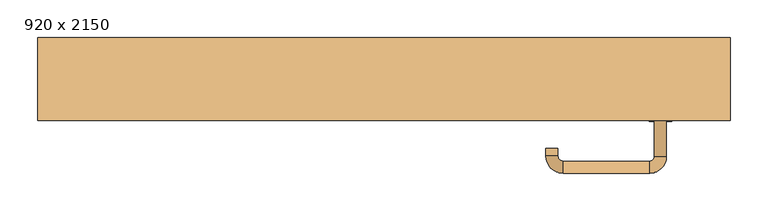
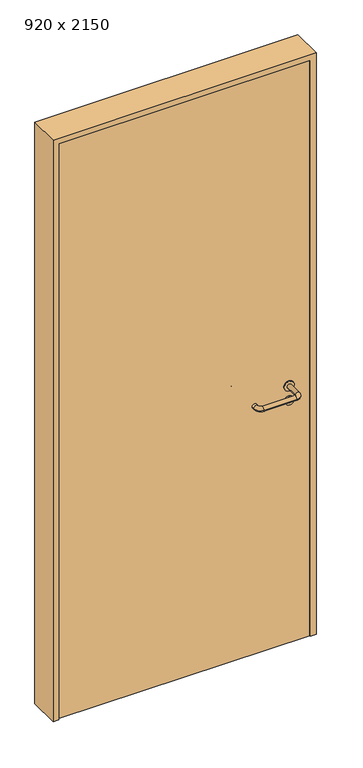
"""IFC4 building model written with IfcOpenShell, lengths in millimetres: door geometry, 920 x 2150."""

from ifc_helpers import new_model, si_unit, point, frame, frame_2d, origin, origin_with_axes, place, context, project, spatial, polyline, circle_curve, ellipse_curve, trimmed, segment, composite_curve, outline, extrude, source, transform, mapped, element, save
from ifc_brep_helpers import plane_surface, cylinder_surface, revolved_surface, advanced_brep


def door_920_x_2150_9bda0c8d(model_context):
    return source(origin(), model_context, "Body", "SolidModel", [
        extrude(outline(composite_curve([segment(trimmed(circle_curve(frame_2d((897.3605726, 367.0)), 15.0), [point((897.3605726, 382.0))], [point((897.3605726, 352.0))], False, "CARTESIAN"), True, "CONTINUOUS"), segment(trimmed(circle_curve(frame_2d((897.3605726, 367.0)), 15.0), [point((897.3605726, 352.0))], [point((897.3605726, 382.0))], False, "CARTESIAN"), True, "CONTINUOUS")], self_intersect=False), holes=[composite_curve([segment(trimmed(circle_curve(frame_2d((892.5833211, 366.9398032)), 2.0), [point((892.5833211, 368.9398032))], [point((892.5833211, 364.9398032))], True, "CARTESIAN"), True, "CONTINUOUS"), segment(polyline([(892.5833211, 364.9398032), (902.5833211, 364.9398032)]), True, "CONTINUOUS"), segment(trimmed(circle_curve(frame_2d((902.5833211, 366.9398032)), 2.0), [point((902.5833211, 364.9398032))], [point((902.5833211, 368.9398032))], True, "CARTESIAN"), True, "CONTINUOUS"), segment(polyline([(902.5833211, 368.9398032), (892.5833211, 368.9398032)]), True, "CONTINUOUS")], self_intersect=False)]), frame((0.0, -130.0, 0.0), z_axis=(0.0, 1.0, 0.0), x_axis=(0.0, 0.0, 1.0)), (0.0, 0.0, 1.0), 6.35),
        extrude(outline(composite_curve([segment(trimmed(circle_curve(frame_2d((950.0, 367.0)), 17.526), [point((950.0, 384.526))], [point((950.0, 349.474))], False, "CARTESIAN"), True, "CONTINUOUS"), segment(trimmed(circle_curve(frame_2d((950.0, 367.0)), 17.526), [point((950.0, 349.474))], [point((950.0, 384.526))], False, "CARTESIAN"), True, "CONTINUOUS")], self_intersect=False)), frame((0.0, -130.0, 0.0), z_axis=(0.0, 1.0, 0.0), x_axis=(0.0, 0.0, 1.0)), (0.0, 0.0, 1.0), 3.175),
        advanced_brep(
        [(375.0, -130.0, 950.0), (359.0, -130.0, 950.0), (375.0, -77.0, 950.0), (359.0, -77.0, 950.0), (352.8578644, -70.8578644, 950.0), (352.8578644, -54.8578644, 950.0), (237.8578644, -54.8578644, 950.0), (237.8578644, -70.8578644, 950.0), (231.008622, -77.7071068, 950.0), (215.008622, -77.7071068, 950.0), (215.008622, -87.7071068, 950.0), (231.008622, -87.7071068, 950.0)],
        [
            (0, 1, circle_curve(frame((367.0, -130.0, 950.0), z_axis=(0.0, -1.0, 0.0), x_axis=(-1.0, 0.0, 0.0)), 8.0)),
            (1, 0, circle_curve(frame((367.0, -130.0, 950.0), z_axis=(0.0, -1.0, 0.0), x_axis=(-1.0, 0.0, 0.0)), 8.0)),
            (0, 2),
            (2, 3, circle_curve(frame((367.0, -77.0, 950.0), z_axis=(0.0, -1.0, 0.0), x_axis=(-1.0, 0.0, 0.0)), 8.0)),
            (3, 1),
            (3, 2, circle_curve(frame((367.0, -77.0, 950.0), z_axis=(0.0, -1.0, 0.0), x_axis=(-1.0, 0.0, 0.0)), 8.0)),
            (4, 3, circle_curve(frame((352.8578644, -77.0, 950.0), z_axis=(0.0, 0.0, -1.0), x_axis=(1.0, 0.0, 0.0)), 6.1421356)),
            (2, 5, circle_curve(frame((352.8578644, -77.0, 950.0), z_axis=(0.0, 0.0, 1.0), x_axis=(1.0, 0.0, 0.0)), 22.1421356)),
            (5, 4, circle_curve(frame((352.8578644, -62.8578644, 950.0), z_axis=(1.0, 0.0, 0.0), x_axis=(0.0, -1.0, 0.0)), 8.0)),
            (4, 5, circle_curve(frame((352.8578644, -62.8578644, 950.0), z_axis=(1.0, 0.0, 0.0), x_axis=(0.0, -1.0, 0.0)), 8.0)),
            (5, 6),
            (6, 7, circle_curve(frame((237.8578644, -62.8578644, 950.0), z_axis=(1.0, 0.0, 0.0), x_axis=(0.0, -1.0, 0.0)), 8.0)),
            (7, 4),
            (7, 6, circle_curve(frame((237.8578644, -62.8578644, 950.0), z_axis=(1.0, 0.0, 0.0), x_axis=(0.0, -1.0, 0.0)), 8.0)),
            (8, 7, circle_curve(frame((237.8578644, -77.7071068, 950.0), z_axis=(0.0, 0.0, -1.0), x_axis=(0.0, 1.0, 0.0)), 6.8492424)),
            (6, 9, circle_curve(frame((237.8578644, -77.7071068, 950.0), z_axis=(0.0, 0.0, 1.0), x_axis=(0.0, 1.0, 0.0)), 22.8492424)),
            (9, 8, circle_curve(frame((223.008622, -77.7071068, 950.0), z_axis=(0.0, 1.0, 0.0), x_axis=(1.0, 0.0, 0.0)), 8.0)),
            (8, 9, circle_curve(frame((223.008622, -77.7071068, 950.0), z_axis=(0.0, 1.0, 0.0), x_axis=(1.0, 0.0, 0.0)), 8.0)),
            (10, 11, circle_curve(frame((223.008622, -87.7071068, 950.0), z_axis=(0.0, -1.0, 0.0), x_axis=(1.0, 0.0, 0.0)), 8.0)),
            (11, 10, circle_curve(frame((223.008622, -87.7071068, 950.0), z_axis=(0.0, -1.0, 0.0), x_axis=(1.0, 0.0, 0.0)), 8.0)),
            (9, 10),
            (11, 8),
        ],
        [
            plane_surface(frame((367.0, -130.0, 0.0), z_axis=(0.0, -1.0, 0.0), x_axis=(0.0, 0.0, 1.0))),
            cylinder_surface(frame((367.0, -130.0, 950.0), z_axis=(0.0, -1.0, 0.0), x_axis=(-1.0, 0.0, 0.0)), 8.0),
            revolved_surface(trimmed(ellipse_curve(frame((367.0, -77.0, 950.0), z_axis=(0.0, -1.0, 0.0), x_axis=(-1.0, 0.0, 0.0)), 8.0, 8.0), [point((375.0, -77.0, 950.0))], [point((359.0, -77.0, 950.0))], True, "CARTESIAN"), (352.8578644, -77.0, 0.0), (0.0, 0.0, 1.0)),
            revolved_surface(trimmed(ellipse_curve(frame((367.0, -77.0, 950.0), z_axis=(0.0, -1.0, 0.0), x_axis=(-1.0, 0.0, 0.0)), 8.0, 8.0), [point((359.0, -77.0, 950.0))], [point((375.0, -77.0, 950.0))], True, "CARTESIAN"), (352.8578644, -77.0, 0.0), (0.0, 0.0, 1.0)),
            cylinder_surface(frame((352.8578644, -62.8578644, 950.0), z_axis=(1.0, 0.0, 0.0), x_axis=(0.0, -1.0, 0.0)), 8.0),
            revolved_surface(trimmed(ellipse_curve(frame((237.8578644, -62.8578644, 950.0), z_axis=(1.0, 0.0, 0.0), x_axis=(0.0, -1.0, 0.0)), 8.0, 8.0), [point((237.8578644, -54.8578644, 950.0))], [point((237.8578644, -70.8578644, 950.0))], True, "CARTESIAN"), (237.8578644, -77.7071068, 0.0), (0.0, 0.0, 1.0)),
            revolved_surface(trimmed(ellipse_curve(frame((237.8578644, -62.8578644, 950.0), z_axis=(1.0, 0.0, 0.0), x_axis=(0.0, -1.0, 0.0)), 8.0, 8.0), [point((237.8578644, -70.8578644, 950.0))], [point((237.8578644, -54.8578644, 950.0))], True, "CARTESIAN"), (237.8578644, -77.7071068, 0.0), (0.0, 0.0, 1.0)),
            plane_surface(frame((223.008622, -87.7071068, 0.0), z_axis=(0.0, -1.0, 0.0), x_axis=(0.0, 0.0, 1.0))),
            cylinder_surface(frame((223.008622, -77.7071068, 950.0), z_axis=(0.0, 1.0, 0.0), x_axis=(1.0, 0.0, 0.0)), 8.0),
        ],
        [
            (0, [[1, 2]]),
            (1, [[-1, 3, 4, 5]]),
            (1, [[-2, -5, 6, -3]]),
            (2, [[7, -4, 8, 9]]),
            (3, [[-8, -6, -7, 10]]),
            (4, [[-9, 11, 12, 13]]),
            (4, [[-10, -13, 14, -11]]),
            (5, [[15, -12, 16, 17]]),
            (6, [[-16, -14, -15, 18]]),
            (7, [[19, 20]]),
            (8, [[-17, 21, -20, 22]]),
            (8, [[-18, -22, -19, -21]]),
        ],
    ),
        extrude(outline(composite_curve([segment(trimmed(circle_curve(frame_2d((0.0, 15.0)), 15.0), [point((0.0, 30.0))], [point((0.0, 0.0))], False, "CARTESIAN"), True, "CONTINUOUS"), segment(trimmed(circle_curve(frame_2d((0.0, 15.0)), 15.0), [point((0.0, 0.0))], [point((0.0, 30.0))], False, "CARTESIAN"), True, "CONTINUOUS")], self_intersect=False), holes=[composite_curve([segment(trimmed(circle_curve(frame_2d((-4.7772515, 14.9398032)), 2.0), [point((-4.7772515, 16.9398032))], [point((-4.7772515, 12.9398032))], True, "CARTESIAN"), True, "CONTINUOUS"), segment(polyline([(-4.7772515, 12.9398032), (5.2227485, 12.9398032)]), True, "CONTINUOUS"), segment(trimmed(circle_curve(frame_2d((5.2227485, 14.9398032)), 2.0), [point((5.2227485, 12.9398032))], [point((5.2227485, 16.9398032))], True, "CARTESIAN"), True, "CONTINUOUS"), segment(polyline([(5.2227485, 16.9398032), (-4.7772515, 16.9398032)]), True, "CONTINUOUS")], self_intersect=False)]), frame((352.0, -166.35, 897.3605726), z_axis=(-1.8870575173328306e-12, 1.0, 0.0), x_axis=(0.0, 0.0, 1.0)), (0.0, 0.0, 1.0), 6.35),
        extrude(outline(composite_curve([segment(trimmed(circle_curve(frame_2d((0.0, 17.526)), 17.526), [point((0.0, 35.052))], [point((0.0, 0.0))], False, "CARTESIAN"), True, "CONTINUOUS"), segment(trimmed(circle_curve(frame_2d((0.0, 17.526)), 17.526), [point((0.0, 0.0))], [point((0.0, 35.052))], False, "CARTESIAN"), True, "CONTINUOUS")], self_intersect=False)), frame((349.474, -163.175, 950.0), z_axis=(-1.8870575173328306e-12, 1.0, 0.0), x_axis=(0.0, 0.0, 1.0)), (0.0, 0.0, 1.0), 3.175),
        advanced_brep(
        [(375.0, -160.0, 950.0), (359.0, -160.0, 950.0), (359.0, -213.0, 950.0), (375.0, -213.0, 950.0), (352.8578644, -219.1421356, 950.0), (352.8578644, -235.1421356, 950.0), (237.8578644, -219.1421356, 950.0), (237.8578644, -235.1421356, 950.0), (231.008622, -212.2928932, 950.0), (215.008622, -212.2928932, 950.0), (215.008622, -202.2928932, 950.0), (231.008622, -202.2928932, 950.0)],
        [
            (0, 1, circle_curve(frame((367.0, -160.0, 950.0), z_axis=(-1.888672253512351e-12, 1.0, 0.0), x_axis=(-1.0, -1.888672253512351e-12, 0.0)), 8.0)),
            (1, 0, circle_curve(frame((367.0, -160.0, 950.0), z_axis=(-1.888672253512351e-12, 1.0, 0.0), x_axis=(-1.0, -1.888672253512351e-12, 0.0)), 8.0)),
            (1, 2),
            (2, 3, circle_curve(frame((367.0, -213.0, 950.0), z_axis=(-1.888672253512351e-12, 1.0, 0.0), x_axis=(-1.0, -1.888672253512351e-12, 0.0)), 8.0)),
            (3, 0),
            (3, 2, circle_curve(frame((367.0, -213.0, 950.0), z_axis=(-1.888672253512351e-12, 1.0, 0.0), x_axis=(-1.0, -1.888672253512351e-12, 0.0)), 8.0)),
            (4, 5, circle_curve(frame((352.8578644, -227.1421356, 950.0), z_axis=(1.0, 1.913702061528922e-12, 0.0), x_axis=(-1.913702061528922e-12, 1.0, 0.0)), 8.0)),
            (5, 3, circle_curve(frame((352.8578644, -213.0, 950.0), z_axis=(0.0, 0.0, 1.0), x_axis=(1.0, 1.880717803715015e-12, 0.0)), 22.1421356)),
            (2, 4, circle_curve(frame((352.8578644, -213.0, 950.0), z_axis=(0.0, 0.0, -1.0), x_axis=(1.0, 1.880717803715015e-12, 0.0)), 6.1421356)),
            (5, 4, circle_curve(frame((352.8578644, -227.1421356, 950.0), z_axis=(1.0, 1.913702061528922e-12, 0.0), x_axis=(-1.913702061528922e-12, 1.0, 0.0)), 8.0)),
            (4, 6),
            (6, 7, circle_curve(frame((237.8578644, -227.1421356, 950.0), z_axis=(1.0, 1.913719828541269e-12, 0.0), x_axis=(-1.913719828541269e-12, 1.0, 0.0)), 8.0)),
            (7, 5),
            (7, 6, circle_curve(frame((237.8578644, -227.1421356, 950.0), z_axis=(1.0, 1.913719828541269e-12, 0.0), x_axis=(-1.913719828541269e-12, 1.0, 0.0)), 8.0)),
            (8, 9, circle_curve(frame((223.008622, -212.2928932, 950.0), z_axis=(1.8888942981172756e-12, -1.0, 0.0), x_axis=(1.0, 1.8888942981172756e-12, 0.0)), 8.0)),
            (9, 7, circle_curve(frame((237.8578644, -212.2928932, 950.0), z_axis=(0.0, 0.0, 1.0), x_axis=(1.9120873253494017e-12, -1.0, 0.0)), 22.8492424)),
            (6, 8, circle_curve(frame((237.8578644, -212.2928932, 950.0), z_axis=(0.0, 0.0, -1.0), x_axis=(1.9120873253494017e-12, -1.0, 0.0)), 6.8492424)),
            (9, 8, circle_curve(frame((223.008622, -212.2928932, 950.0), z_axis=(1.890448610351751e-12, -1.0, 0.0), x_axis=(1.0, 1.890448610351751e-12, 0.0)), 8.0)),
            (10, 11, circle_curve(frame((223.008622, -202.2928932, 950.0), z_axis=(-1.8903642334018795e-12, 1.0, 0.0), x_axis=(1.0, 1.8903642334018795e-12, 0.0)), 8.0)),
            (11, 10, circle_curve(frame((223.008622, -202.2928932, 950.0), z_axis=(-1.8903642334018795e-12, 1.0, 0.0), x_axis=(1.0, 1.8903642334018795e-12, 0.0)), 8.0)),
            (8, 11),
            (10, 9),
        ],
        [
            plane_surface(frame((367.0, -160.0, 0.0), z_axis=(-1.8870575173328306e-12, 1.0, 0.0), x_axis=(0.0, 0.0, 1.0))),
            cylinder_surface(frame((367.0, -160.0, 950.0), z_axis=(-1.888672253512351e-12, 1.0, 0.0), x_axis=(-1.0, -1.888672253512351e-12, 0.0)), 8.0),
            revolved_surface(trimmed(ellipse_curve(frame((367.0, -213.0, 950.0), z_axis=(1.8823325398945356e-12, -1.0, 0.0), x_axis=(-1.0, -1.8823325398945356e-12, 0.0)), 8.0, 8.0), [point((375.0, -213.0, 950.0))], [point((359.0, -213.0, 950.0))], True, "CARTESIAN"), (352.8578644, -213.0, 0.0), (0.0, 0.0, 1.0)),
            revolved_surface(trimmed(ellipse_curve(frame((367.0, -213.0, 950.0), z_axis=(1.8823325398945356e-12, -1.0, 0.0), x_axis=(-1.0, -1.8823325398945356e-12, 0.0)), 8.0, 8.0), [point((359.0, -213.0, 950.0))], [point((375.0, -213.0, 950.0))], True, "CARTESIAN"), (352.8578644, -213.0, 0.0), (0.0, 0.0, 1.0)),
            cylinder_surface(frame((352.8578644, -227.1421356, 950.0), z_axis=(1.0, 1.913719828541269e-12, 0.0), x_axis=(-1.913719828541269e-12, 1.0, 0.0)), 8.0),
            revolved_surface(trimmed(ellipse_curve(frame((237.8578644, -227.1421356, 950.0), z_axis=(-1.0, -1.913702061528922e-12, 0.0), x_axis=(-1.913702061528922e-12, 1.0, 0.0)), 8.0, 8.0), [point((237.8578644, -235.1421356, 950.0))], [point((237.8578644, -219.1421356, 950.0))], True, "CARTESIAN"), (237.8578644, -212.2928932, 0.0), (0.0, 0.0, 1.0)),
            revolved_surface(trimmed(ellipse_curve(frame((237.8578644, -227.1421356, 950.0), z_axis=(-1.0, -1.913702061528922e-12, 0.0), x_axis=(-1.913702061528922e-12, 1.0, 0.0)), 8.0, 8.0), [point((237.8578644, -219.1421356, 950.0))], [point((237.8578644, -235.1421356, 950.0))], True, "CARTESIAN"), (237.8578644, -212.2928932, 0.0), (0.0, 0.0, 1.0)),
            plane_surface(frame((223.008622, -202.2928932, 0.0), z_axis=(-1.8887494972223595e-12, 1.0, 0.0), x_axis=(0.0, 0.0, 1.0))),
            cylinder_surface(frame((223.008622, -212.2928932, 950.0), z_axis=(1.8903642334018795e-12, -1.0, 0.0), x_axis=(1.0, 1.8903642334018795e-12, 0.0)), 8.0),
        ],
        [
            (0, [[1, 2]]),
            (1, [[3, 4, 5, -2]]),
            (1, [[-5, 6, -3, -1]]),
            (2, [[7, 8, -4, 9]]),
            (3, [[10, -9, -6, -8]]),
            (4, [[11, 12, 13, -7]]),
            (4, [[-13, 14, -11, -10]]),
            (5, [[15, 16, -12, 17]]),
            (6, [[18, -17, -14, -16]]),
            (7, [[19, 20]]),
            (8, [[21, -19, 22, -15]]),
            (8, [[-22, -20, -21, -18]]),
        ],
    ),
        extrude(outline(polyline([(2130.0, 440.0), (0.0, 440.0), (0.0, 460.0), (2150.0, 460.0), (2150.0, -460.0), (0.0, -460.0), (0.0, -440.0), (2130.0, -440.0), (2130.0, 440.0)])), frame((0.0, -165.0, 0.0), z_axis=(0.0, 1.0, 0.0), x_axis=(0.0, 0.0, 1.0)), (0.0, 0.0, 1.0), 110.0),
        extrude(outline(polyline([(-440.0, -160.0), (-440.0, -130.0), (440.0, -130.0), (440.0, -160.0), (-440.0, -160.0)])), origin_with_axes(), (0.0, 0.0, 1.0), 2130.0),
    ])


if __name__ == "__main__":
    model = new_model("IFC4")
    model_context = context("Model", 3, world=origin())
    ifc_project = project(units=[si_unit("LENGTHUNIT", "METRE", prefix="MILLI")], contexts=[model_context])
    site = spatial("IfcSite", under=ifc_project)
    building = spatial("IfcBuilding", under=site)
    placement = place(None, origin())
    door_920_x_2150_shape = door_920_x_2150_9bda0c8d(model_context)
    element("IfcDoor", 1, ObjectType="920 x 2150", at=placement, inside=building, context=model_context, shape_type="MappedRepresentation", body=[
        mapped(door_920_x_2150_shape, transform((0.0, 0.0, 0.0), x_axis=(1.0, 0.0, 0.0), y_axis=(0.0, 1.0, 0.0), z_axis=(0.0, 0.0, 1.0))),
    ])
    save(model, "model.ifc")
